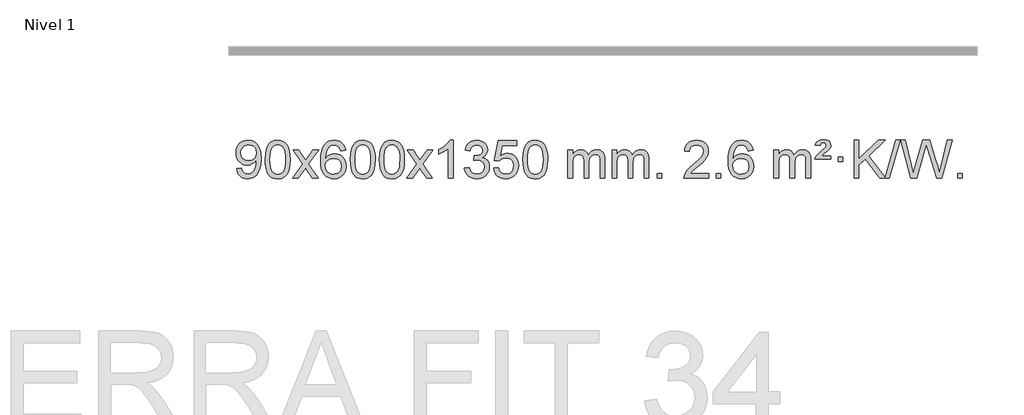
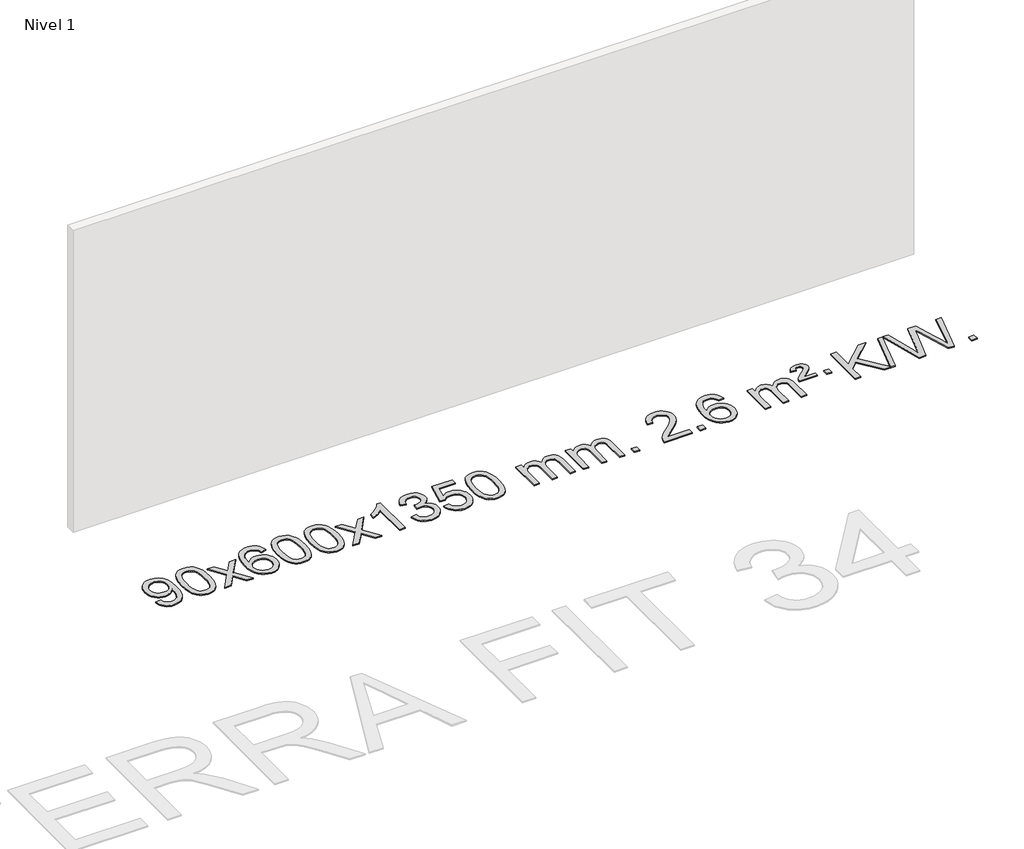
# One storey, part 5 of 10: 1 proxy.
"""IFC4 building model written with IfcOpenShell, lengths in millimetres."""

from ifc_helpers import new_model, si_unit, origin, origin_with_axes, place, context, project, spatial, polyline, outline, extrude, element, save

model = new_model("IFC4")

# Units and contexts
model_context = context("Model", 3, world=origin())
ifc_project = project(units=[si_unit("LENGTHUNIT", "METRE", prefix="MILLI")], contexts=[model_context])

# Site, building, storey
site = spatial("IfcSite", under=ifc_project)
building = spatial("IfcBuilding", under=site)
storey = spatial("IfcBuildingStorey", under=building, Name="Nivel 1", Elevation=0.0)

# Proxy
placement = place(None, origin())
element("IfcBuildingElementProxy", 1, Name="Texto de modelo 1", ObjectType="Texto de modelo 1", at=placement, inside=storey, context=model_context, shape_type="SweptSolid", body=[
    extrude(outline(polyline([(-1749.8911911, -9299.1231428), (-1699.663036, -9292.8446235), (-1691.0791228, -9321.3554781), (-1677.099607, -9340.7673847), (-1658.0678451, -9351.9142092), (-1634.3271937, -9355.6298173), (-1613.0268261, -9353.2385843), (-1593.6639705, -9346.0648854), (-1577.5752645, -9334.8935355), (-1566.0973463, -9320.5093495), (-1549.6652838, -9276.8540194), (-1544.2206303, -9248.4535294), (-1542.4057458, -9218.5815114), (-1542.7000514, -9208.7713248), (-1560.1008698, -9230.0103787), (-1582.8727653, -9246.8348486), (-1609.3725317, -9257.7977321), (-1637.9569627, -9261.4520265), (-1661.8171757, -9259.2202091), (-1683.7582711, -9252.5247568), (-1703.7802487, -9241.3656696), (-1721.8831085, -9225.7429475), (-1736.8834969, -9206.4720624), (-1747.59806, -9184.3684858), (-1754.0267978, -9159.4322179), (-1756.1697105, -9131.6632586), (-1753.9225646, -9102.968463), (-1747.181127, -9077.2167234), (-1735.9453978, -9054.4080397), (-1720.2153768, -9034.5424119), (-1701.1008415, -9018.4475746), (-1679.7115691, -9006.9512623), (-1656.0475598, -9000.0534749), (-1630.1088134, -8997.7542124), (-1592.6461636, -9003.0026622), (-1558.5435027, -9018.7480116), (-1530.0203853, -9044.2054457), (-1509.2963662, -9078.5901495), (-1496.6780138, -9126.1205032), (-1492.4718963, -9191.0148872), (-1496.6657511, -9259.821083), (-1509.2473153, -9313.0045568), (-1530.1062244, -9352.9688042), (-1543.5982966, -9368.8950289), (-1559.1321138, -9382.117321), (-1576.3949765, -9392.503856), (-1595.0741848, -9399.9228095), (-1636.6816384, -9405.8579724), (-1659.2389361, -9404.1074672), (-1679.62573, -9398.8559517), (-1697.8420201, -9390.1034259), (-1713.8878065, -9377.8498898), (-1727.3584189, -9362.4264372), (-1737.8491871, -9344.1641618), (-1745.3601112, -9323.0630637), (-1749.8911911, -9299.1231428)]), holes=[polyline([(-1542.7000514, -9130.4860363), (-1548.1201795, -9096.444689), (-1554.8953395, -9082.3670713), (-1564.3805636, -9070.2514909), (-1576.1098679, -9060.5087494), (-1589.6172685, -9053.5496483), (-1621.9663586, -9047.9823675), (-1639.5756435, -9049.4814866), (-1655.5171966, -9053.978844), (-1669.791018, -9061.4744396), (-1682.3971077, -9071.9682736), (-1692.6978036, -9084.8472091), (-1700.0554435, -9099.4981095), (-1704.4700274, -9115.9209749), (-1705.9415554, -9134.1158053), (-1700.3742745, -9165.1527829), (-1693.4151735, -9178.2708417), (-1683.6724319, -9189.7886139), (-1671.5507202, -9199.1665391), (-1657.4547084, -9205.8650571), (-1623.3397847, -9211.2238715), (-1591.248212, -9205.8650571), (-1565.4106332, -9189.7886139), (-1555.4747537, -9178.0439812), (-1548.3776969, -9164.2453407), (-1542.7000514, -9130.4860363)])]), origin_with_axes(), (0.0, 0.0, 1.0), 10.0),
    extrude(outline(polyline([(-1448.5222606, -9201.9041943), (-1444.8311779, -9137.5861588), (-1433.7579299, -9086.2911459), (-1415.4128811, -9047.2343407), (-1403.5548181, -9032.0009605), (-1389.9063961, -9019.6309284), (-1374.4216298, -9010.0598651), (-1357.0545339, -9003.2233914), (-1316.6733536, -8997.7542124), (-1285.722215, -9000.991574), (-1258.0084381, -9010.7036586), (-1234.8318724, -9026.5103217), (-1217.4923677, -9048.0314184), (-1204.3957686, -9075.0830078), (-1193.94792, -9107.4811488), (-1187.1053149, -9148.6226186), (-1184.8244465, -9201.9041943), (-1188.478741, -9265.8543477), (-1199.4416244, -9317.0267333), (-1217.6763087, -9356.1203266), (-1229.5067805, -9371.3996922), (-1243.1460055, -9383.8341036), (-1258.6491659, -9393.4695462), (-1276.071444, -9400.3520052), (-1316.6733536, -9405.8579724), (-1344.3380796, -9403.4667394), (-1368.8635459, -9396.2930405), (-1390.2497526, -9384.3368757), (-1408.4966996, -9367.5982449), (-1426.0078825, -9337.3399508), (-1438.5158704, -9299.6381776), (-1446.0206631, -9254.4929255), (-1448.5222606, -9201.9041943)]), holes=[polyline([(-1398.2941056, -9201.8060924), (-1396.8225776, -9245.4706195), (-1392.4079936, -9280.8148822), (-1385.0503537, -9307.8388804), (-1374.7496579, -9326.5426142), (-1362.290721, -9339.2682656), (-1348.4583579, -9348.3580165), (-1333.2525688, -9353.8118671), (-1316.6733536, -9355.6298173), (-1300.0941383, -9353.8057357), (-1284.8883492, -9348.3334911), (-1271.0559862, -9339.2130833), (-1258.5970493, -9326.4445124), (-1248.2963534, -9307.7101217), (-1240.9387135, -9280.6922549), (-1236.5241295, -9245.3909118), (-1235.0526016, -9201.8060924), (-1236.4750786, -9159.2973278), (-1240.7425098, -9124.5753989), (-1247.854895, -9097.6403055), (-1257.8122343, -9078.4920476), (-1270.0627048, -9065.1440625), (-1284.0544833, -9055.6097875), (-1299.78757, -9049.8892225), (-1317.2619648, -9047.9823675), (-1333.7553409, -9049.6623619), (-1348.7036126, -9054.7023452), (-1362.10678, -9063.1023175), (-1373.9648429, -9074.8622786), (-1384.6088953, -9095.708925), (-1392.2117899, -9123.8151094), (-1396.7735266, -9159.1808319), (-1398.2941056, -9201.8060924)])]), origin_with_axes(), (0.0, 0.0, 1.0), 10.0),
    extrude(outline(polyline([(-1159.7103689, -9399.579453), (-1052.3869282, -9251.2494325), (-1153.4318496, -9104.4890419), (-1093.0011005, -9104.4890419), (-1044.2444734, -9175.122385), (-1021.4848406, -9208.4770192), (-1001.7663657, -9181.2047007), (-946.2407099, -9104.4890419), (-885.8099608, -9104.4890419), (-991.9561791, -9251.2494325), (-889.7340354, -9399.579453), (-950.1647845, -9399.579453), (-1011.6746541, -9310.4048574), (-1022.9563686, -9294.1199477), (-1099.2796199, -9399.579453), (-1159.7103689, -9399.579453)])), origin_with_axes(), (0.0, 0.0, 1.0), 10.0),
    extrude(outline(polyline([(-600.9221437, -9104.4890419), (-651.1502988, -9110.7675613), (-659.2437027, -9085.874213), (-670.1820607, -9068.8780648), (-692.9662189, -9053.2062918), (-720.5083176, -9047.9823675), (-743.8565616, -9051.0235253), (-765.8313794, -9060.1469988), (-784.7037258, -9079.3627017), (-800.1179814, -9105.8134171), (-810.5290419, -9143.227016), (-814.3918028, -9195.3313693), (-794.2441322, -9171.8237098), (-770.0988106, -9155.2567573), (-743.3047386, -9145.434308), (-715.2108169, -9142.1601582), (-691.077758, -9144.398107), (-668.8086346, -9151.1119534), (-648.4034466, -9162.3016975), (-629.862194, -9177.9673391), (-614.4540698, -9197.1769106), (-603.4482668, -9218.9984443), (-596.844785, -9243.4319401), (-594.6436244, -9270.4773982), (-598.7884282, -9306.4439945), (-611.2228396, -9339.786366), (-630.9167891, -9368.0642287), (-656.840207, -9388.8372987), (-687.815871, -9401.602804), (-722.6665587, -9405.8579724), (-752.6090874, -9403.0375437), (-779.6514797, -9394.5762579), (-803.7937357, -9380.4741147), (-825.0358552, -9360.7311143), (-842.3539001, -9334.5133908), (-854.7239322, -9300.9870783), (-862.1459515, -9260.1521768), (-864.6199579, -9212.0086864), (-861.8731057, -9158.0342663), (-853.632549, -9111.9693092), (-839.8982878, -9073.8138149), (-820.6703222, -9043.5677835), (-799.8298072, -9023.5243462), (-775.6660915, -9009.2076052), (-748.179175, -9000.6175606), (-717.3690579, -8997.7542124), (-694.2354118, -8999.5261773), (-673.2967949, -9004.8420722), (-654.5532073, -9013.7018969), (-638.0046489, -9026.1056515), (-624.0987094, -9041.6364031), (-613.2829788, -9059.8772186), (-605.5574569, -9080.8280983), (-600.9221437, -9104.4890419)]), holes=[polyline([(-814.3918028, -9269.6925832), (-811.485535, -9291.9494439), (-802.7667318, -9313.2007605), (-789.2286743, -9331.472233), (-771.8646442, -9344.7895612), (-750.9076332, -9352.9197533), (-726.5906333, -9355.6298173), (-693.4444655, -9350.0134855), (-679.5293291, -9342.9930708), (-667.3861575, -9333.1644901), (-657.5361171, -9320.9262824), (-650.500374, -9306.6769865), (-644.8717794, -9272.1451299), (-650.4267976, -9238.9989621), (-657.3705702, -9225.3781312), (-667.0918519, -9213.725469), (-679.2718117, -9204.3904634), (-693.5916183, -9197.7226022), (-728.6507725, -9192.3883133), (-761.7478893, -9197.7226022), (-789.4248781, -9213.725469), (-800.3479076, -9225.2248471), (-808.1500716, -9238.3858254), (-812.83137, -9253.2084042), (-814.3918028, -9269.6925832)])]), origin_with_axes(), (0.0, 0.0, 1.0), 10.0),
    extrude(outline(polyline([(-550.6939887, -9201.9041943), (-547.002906, -9137.5861588), (-535.9296579, -9086.2911459), (-517.5846091, -9047.2343407), (-505.7265461, -9032.0009605), (-492.0781241, -9019.6309284), (-476.5933578, -9010.0598651), (-459.2262619, -9003.2233914), (-418.8450816, -8997.7542124), (-387.8939431, -9000.991574), (-360.1801661, -9010.7036586), (-337.0036004, -9026.5103217), (-319.6640957, -9048.0314184), (-306.5674967, -9075.0830078), (-296.119648, -9107.4811488), (-289.2770429, -9148.6226186), (-286.9961745, -9201.9041943), (-290.650469, -9265.8543477), (-301.6133525, -9317.0267333), (-319.8480367, -9356.1203266), (-331.6785085, -9371.3996922), (-345.3177335, -9383.8341036), (-360.8208939, -9393.4695462), (-378.2431721, -9400.3520052), (-418.8450816, -9405.8579724), (-446.5098076, -9403.4667394), (-471.035274, -9396.2930405), (-492.4214806, -9384.3368757), (-510.6684276, -9367.5982449), (-528.1796106, -9337.3399508), (-540.6875984, -9299.6381776), (-548.1923911, -9254.4929255), (-550.6939887, -9201.9041943)]), holes=[polyline([(-500.4658336, -9201.8060924), (-498.9943056, -9245.4706195), (-494.5797217, -9280.8148822), (-487.2220818, -9307.8388804), (-476.9213859, -9326.5426142), (-464.462449, -9339.2682656), (-450.630086, -9348.3580165), (-435.4242968, -9353.8118671), (-418.8450816, -9355.6298173), (-402.2658663, -9353.8057357), (-387.0600772, -9348.3334911), (-373.2277142, -9339.2130833), (-360.7687773, -9326.4445124), (-350.4680814, -9307.7101217), (-343.1104415, -9280.6922549), (-338.6958576, -9245.3909118), (-337.2243296, -9201.8060924), (-338.6468066, -9159.2973278), (-342.9142378, -9124.5753989), (-350.026623, -9097.6403055), (-359.9839624, -9078.4920476), (-372.2344328, -9065.1440625), (-386.2262114, -9055.6097875), (-401.959298, -9049.8892225), (-419.4336928, -9047.9823675), (-435.9270689, -9049.6623619), (-450.8753406, -9054.7023452), (-464.278508, -9063.1023175), (-476.136571, -9074.8622786), (-486.7806234, -9095.708925), (-494.3835179, -9123.8151094), (-498.9452547, -9159.1808319), (-500.4658336, -9201.8060924)])]), origin_with_axes(), (0.0, 0.0, 1.0), 10.0),
    extrude(outline(polyline([(-243.0465388, -9201.9041943), (-239.3554561, -9137.5861588), (-228.2822081, -9086.2911459), (-209.9371593, -9047.2343407), (-198.0790963, -9032.0009605), (-184.4306743, -9019.6309284), (-168.945908, -9010.0598651), (-151.5788121, -9003.2233914), (-111.1976318, -8997.7542124), (-80.2464932, -9000.991574), (-52.5327163, -9010.7036586), (-29.3561506, -9026.5103217), (-12.0166459, -9048.0314184), (1.0799532, -9075.0830078), (11.5278018, -9107.4811488), (18.3704069, -9148.6226186), (20.6512753, -9201.9041943), (16.9969808, -9265.8543477), (6.0340974, -9317.0267333), (-12.2005869, -9356.1203266), (-24.0310587, -9371.3996922), (-37.6702837, -9383.8341036), (-53.1734441, -9393.4695462), (-70.5957222, -9400.3520052), (-111.1976318, -9405.8579724), (-138.8623578, -9403.4667394), (-163.3878241, -9396.2930405), (-184.7740308, -9384.3368757), (-203.0209778, -9367.5982449), (-220.5321607, -9337.3399508), (-233.0401486, -9299.6381776), (-240.5449413, -9254.4929255), (-243.0465388, -9201.9041943)]), holes=[polyline([(-192.8183838, -9201.8060924), (-191.3468558, -9245.4706195), (-186.9322718, -9280.8148822), (-179.5746319, -9307.8388804), (-169.2739361, -9326.5426142), (-156.8149992, -9339.2682656), (-142.9826361, -9348.3580165), (-127.776847, -9353.8118671), (-111.1976318, -9355.6298173), (-94.6184165, -9353.8057357), (-79.4126274, -9348.3334911), (-65.5802644, -9339.2130833), (-53.1213275, -9326.4445124), (-42.8206316, -9307.7101217), (-35.4629917, -9280.6922549), (-31.0484077, -9245.3909118), (-29.5768798, -9201.8060924), (-30.9993568, -9159.2973278), (-35.266788, -9124.5753989), (-42.3791732, -9097.6403055), (-52.3365125, -9078.4920476), (-64.586983, -9065.1440625), (-78.5787615, -9055.6097875), (-94.3118482, -9049.8892225), (-111.786243, -9047.9823675), (-128.2796191, -9049.6623619), (-143.2278908, -9054.7023452), (-156.6310582, -9063.1023175), (-168.4891211, -9074.8622786), (-179.1331735, -9095.708925), (-186.7360681, -9123.8151094), (-191.2978048, -9159.1808319), (-192.8183838, -9201.8060924)])]), origin_with_axes(), (0.0, 0.0, 1.0), 10.0),
    extrude(outline(polyline([(45.7653528, -9399.579453), (153.0887936, -9251.2494325), (52.0438722, -9104.4890419), (112.4746213, -9104.4890419), (161.2312484, -9175.122385), (183.9908812, -9208.4770192), (203.7093561, -9181.2047007), (259.2350119, -9104.4890419), (319.665761, -9104.4890419), (213.5195426, -9251.2494325), (315.7416864, -9399.579453), (255.3109373, -9399.579453), (193.8010677, -9310.4048574), (182.5193532, -9294.1199477), (106.1961019, -9399.579453), (45.7653528, -9399.579453)])), origin_with_axes(), (0.0, 0.0, 1.0), 10.0),
    extrude(outline(polyline([(535.4898648, -9399.579453), (485.2617098, -9399.579453), (485.2617098, -9086.4382987), (464.292436, -9103.3976587), (437.682305, -9120.3324932), (384.8053996, -9145.6918254), (384.8053996, -9098.2105225), (424.2546122, -9076.7507395), (458.4308496, -9051.219729), (485.3720743, -9024.0700378), (503.1162492, -8997.7542124), (535.4898648, -8997.7542124), (535.4898648, -9399.579453)])), origin_with_axes(), (0.0, 0.0, 1.0), 10.0),
    extrude(outline(polyline([(654.7817331, -9292.8446235), (705.0098882, -9286.5661041), (716.2548145, -9318.1303793), (732.7236652, -9339.4430095), (755.2257805, -9351.5831154), (784.570501, -9355.6298173), (819.0042558, -9350.0625364), (833.2780772, -9343.1034354), (845.5898613, -9333.3606939), (862.5860095, -9308.4428201), (868.2513922, -9278.2274455), (862.6350604, -9249.5449126), (845.786065, -9226.2825078), (820.27958, -9210.8682522), (788.6907794, -9205.730167), (753.4722097, -9211.2238715), (759.064016, -9160.9957164), (767.108369, -9161.5843276), (797.2011162, -9157.979084), (824.1055528, -9147.1633534), (835.1788008, -9138.9841103), (843.0882637, -9128.8673555), (847.8339415, -9116.8130888), (849.415834, -9102.8213102), (844.8295718, -9081.1285352), (831.0707852, -9063.5315131), (810.076986, -9051.8696539), (783.7856861, -9047.9823675), (757.4453352, -9051.9064421), (735.9119758, -9063.6786659), (720.1911519, -9083.299039), (711.2884076, -9110.7675613), (661.0602525, -9104.4890419), (667.0138095, -9080.5092672), (675.8491087, -9059.3867093), (687.5661503, -9041.1213683), (702.1649341, -9025.713244), (719.1856078, -9013.4811677), (738.1683187, -9004.7439703), (759.113067, -8999.5016519), (782.0198525, -8997.7542124), (813.5963904, -9001.2000404), (842.5977544, -9011.5375245), (867.0496443, -9027.8469596), (884.9777602, -9049.2086408), (895.9774319, -9073.8199463), (899.6439891, -9099.8782543), (896.1613729, -9124.1584659), (885.7135242, -9146.1823347), (868.4475959, -9164.9443165), (844.5107408, -9179.4388671), (875.9523886, -9192.1430586), (899.2515817, -9213.77452), (913.6725559, -9243.1560286), (918.4795473, -9279.1103623), (916.0760516, -9304.5923218), (908.8655645, -9328.0631931), (896.848086, -9349.5229762), (880.023616, -9368.971671), (859.5264575, -9385.1094278), (836.4909133, -9396.636397), (810.9169832, -9403.5525785), (782.8046674, -9405.8579724), (757.3962843, -9403.8898037), (734.2442441, -9397.9852977), (713.3485468, -9388.1444543), (694.7091923, -9374.3672736), (679.0803389, -9357.4630959), (667.2161446, -9338.2412617), (659.1166093, -9316.7017708), (654.7817331, -9292.8446235)])), origin_with_axes(), (0.0, 0.0, 1.0), 10.0),
    extrude(outline(polyline([(962.429183, -9292.8446235), (1012.657338, -9286.5661041), (1021.8789134, -9316.7201649), (1037.9676193, -9338.3148381), (1060.8498794, -9351.3010725), (1090.4521173, -9355.6298173), (1109.581981, -9354.1245668), (1126.4555019, -9349.6088153), (1141.0726798, -9342.0825628), (1153.4335149, -9331.5458094), (1163.2620955, -9318.519721), (1170.2825102, -9303.5254641), (1175.898842, -9267.6324441), (1170.6381295, -9233.8363514), (1164.0622388, -9219.9181493), (1154.8559919, -9207.9865099), (1142.9887319, -9198.4154467), (1128.4298019, -9191.5789729), (1091.2369322, -9186.1097939), (1066.8708814, -9188.2925604), (1047.1401437, -9194.8408599), (1031.3825316, -9204.8717757), (1018.9358574, -9217.5023908), (968.7077023, -9211.2238715), (1012.657338, -9004.0327318), (1207.291439, -9004.0327318), (1207.291439, -9054.2608869), (1053.2715103, -9054.2608869), (1031.7872018, -9164.919791), (1049.5129826, -9152.2155994), (1067.667959, -9143.1411769), (1086.2521312, -9137.6965234), (1105.265499, -9135.8816388), (1129.726586, -9138.1318504), (1152.1949788, -9144.882485), (1172.6706775, -9156.1335427), (1191.1536821, -9171.8850234), (1206.4545074, -9191.1743027), (1217.3836684, -9213.038756), (1223.9411649, -9237.4783832), (1226.1269971, -9264.4931844), (1224.1588284, -9290.5147042), (1218.2543224, -9314.7213394), (1208.413479, -9337.1130902), (1194.6362983, -9357.6899565), (1173.7651265, -9378.7634634), (1149.4113384, -9393.8159684), (1121.5749341, -9402.8474714), (1090.2559136, -9405.8579724), (1064.3355613, -9403.9235262), (1040.922938, -9398.1201877), (1020.0180436, -9388.447957), (1001.6208782, -9374.9068338), (986.3139215, -9358.1712688), (974.6796534, -9338.915712), (966.7180739, -9317.1401636), (962.429183, -9292.8446235)])), origin_with_axes(), (0.0, 0.0, 1.0), 10.0),
    extrude(outline(polyline([(1270.0766328, -9201.9041943), (1273.7677155, -9137.5861588), (1284.8409635, -9086.2911459), (1303.1860124, -9047.2343407), (1315.0440753, -9032.0009605), (1328.6924974, -9019.6309284), (1344.1772637, -9010.0598651), (1361.5443595, -9003.2233914), (1401.9255399, -8997.7542124), (1432.8766784, -9000.991574), (1460.5904554, -9010.7036586), (1483.7670211, -9026.5103217), (1501.1065258, -9048.0314184), (1514.2031248, -9075.0830078), (1524.6509735, -9107.4811488), (1531.4935786, -9148.6226186), (1533.7744469, -9201.9041943), (1530.1201525, -9265.8543477), (1519.157269, -9317.0267333), (1500.9225848, -9356.1203266), (1489.0921129, -9371.3996922), (1475.452888, -9383.8341036), (1459.9497276, -9393.4695462), (1442.5274494, -9400.3520052), (1401.9255399, -9405.8579724), (1374.2608138, -9403.4667394), (1349.7353475, -9396.2930405), (1328.3491408, -9384.3368757), (1310.1021939, -9367.5982449), (1292.5910109, -9337.3399508), (1280.0830231, -9299.6381776), (1272.5782304, -9254.4929255), (1270.0766328, -9201.9041943)]), holes=[polyline([(1320.3047879, -9201.8060924), (1321.7763158, -9245.4706195), (1326.1908998, -9280.8148822), (1333.5485397, -9307.8388804), (1343.8492356, -9326.5426142), (1356.3081725, -9339.2682656), (1370.1405355, -9348.3580165), (1385.3463246, -9353.8118671), (1401.9255399, -9355.6298173), (1418.5047551, -9353.8057357), (1433.7105442, -9348.3334911), (1447.5429073, -9339.2130833), (1460.0018442, -9326.4445124), (1470.30254, -9307.7101217), (1477.6601799, -9280.6922549), (1482.0747639, -9245.3909118), (1483.5462919, -9201.8060924), (1482.1238148, -9159.2973278), (1477.8563837, -9124.5753989), (1470.7439984, -9097.6403055), (1460.7866591, -9078.4920476), (1448.5361887, -9065.1440625), (1434.5444101, -9055.6097875), (1418.8113234, -9049.8892225), (1401.3369287, -9047.9823675), (1384.8435526, -9049.6623619), (1369.8952808, -9054.7023452), (1356.4921135, -9063.1023175), (1344.6340505, -9074.8622786), (1333.9899981, -9095.708925), (1326.3871035, -9123.8151094), (1321.8253668, -9159.1808319), (1320.3047879, -9201.8060924)])]), origin_with_axes(), (0.0, 0.0, 1.0), 10.0),
    extrude(outline(polyline([(1747.244106, -9399.579453), (1747.244106, -9104.4890419), (1797.4722611, -9104.4890419), (1797.4722611, -9153.0494653), (1812.5799483, -9130.7435537), (1832.0041177, -9113.2691589), (1855.0825815, -9101.9751816), (1881.1531522, -9098.2105225), (1909.0876584, -9102.048758), (1931.4794092, -9113.5634645), (1948.2057772, -9131.9943524), (1959.1441352, -9156.5811324), (1977.4523959, -9131.0439906), (1998.3358304, -9112.803175), (2021.794439, -9101.8586857), (2047.8282215, -9098.2105225), (2067.9360383, -9099.7280358), (2085.585177, -9104.2805755), (2100.7756377, -9111.8681416), (2113.5074204, -9122.4907342), (2123.5720587, -9136.2709806), (2130.761086, -9153.3315082), (2135.0745024, -9173.6723168), (2136.5123078, -9197.2934066), (2136.5123078, -9399.579453), (2086.2841528, -9399.579453), (2086.2841528, -9218.875817), (2085.1191931, -9193.8230531), (2081.6243142, -9176.9372695), (2075.0760146, -9165.3735121), (2064.7507933, -9156.2868268), (2051.4702533, -9150.4007149), (2036.0559977, -9148.4386776), (2008.8449928, -9153.4663982), (1986.6617085, -9168.54956), (1978.0563355, -9180.1194488), (1971.9096405, -9194.7182326), (1966.9922845, -9233.0024856), (1966.9922845, -9399.579453), (1916.7641294, -9399.579453), (1916.7641294, -9213.2840106), (1913.8578616, -9184.8835206), (1905.1390583, -9164.6254854), (1889.7983791, -9152.4853796), (1867.0264836, -9148.4386776), (1847.6758907, -9151.1364789), (1829.8458767, -9159.2298828), (1815.1305968, -9172.5226856), (1805.1242066, -9190.8186835), (1799.3852475, -9216.2025411), (1797.4722611, -9250.7589232), (1797.4722611, -9399.579453), (1747.244106, -9399.579453)])), origin_with_axes(), (0.0, 0.0, 1.0), 10.0),
    extrude(outline(polyline([(2211.8545404, -9399.579453), (2211.8545404, -9104.4890419), (2262.0826955, -9104.4890419), (2262.0826955, -9153.0494653), (2277.1903828, -9130.7435537), (2296.6145521, -9113.2691589), (2319.693016, -9101.9751816), (2345.7635867, -9098.2105225), (2373.6980929, -9102.048758), (2396.0898436, -9113.5634645), (2412.8162117, -9131.9943524), (2423.7545697, -9156.5811324), (2442.0628303, -9131.0439906), (2462.9462649, -9112.803175), (2486.4048734, -9101.8586857), (2512.438656, -9098.2105225), (2532.5464727, -9099.7280358), (2550.1956114, -9104.2805755), (2565.3860721, -9111.8681416), (2578.1178548, -9122.4907342), (2588.1824931, -9136.2709806), (2595.3715204, -9153.3315082), (2599.6849368, -9173.6723168), (2601.1227423, -9197.2934066), (2601.1227423, -9399.579453), (2550.8945872, -9399.579453), (2550.8945872, -9218.875817), (2549.7296276, -9193.8230531), (2546.2347486, -9176.9372695), (2539.6864491, -9165.3735121), (2529.3612278, -9156.2868268), (2516.0806877, -9150.4007149), (2500.6664321, -9148.4386776), (2473.4554272, -9153.4663982), (2451.2721429, -9168.54956), (2442.6667699, -9180.1194488), (2436.5200749, -9194.7182326), (2431.6027189, -9233.0024856), (2431.6027189, -9399.579453), (2381.3745638, -9399.579453), (2381.3745638, -9213.2840106), (2378.4682961, -9184.8835206), (2369.7494928, -9164.6254854), (2354.4088136, -9152.4853796), (2331.6369181, -9148.4386776), (2312.2863251, -9151.1364789), (2294.4563111, -9159.2298828), (2279.7410313, -9172.5226856), (2269.734641, -9190.8186835), (2263.9956819, -9216.2025411), (2262.0826955, -9250.7589232), (2262.0826955, -9399.579453), (2211.8545404, -9399.579453)])), origin_with_axes(), (0.0, 0.0, 1.0), 10.0),
    extrude(outline(polyline([(2689.0220137, -9399.579453), (2689.0220137, -9349.3512979), (2739.2501687, -9349.3512979), (2739.2501687, -9399.579453), (2689.0220137, -9399.579453)])), origin_with_axes(), (0.0, 0.0, 1.0), 10.0),
    extrude(outline(polyline([(3235.2532001, -9349.3512979), (3235.2532001, -9399.579453), (2971.555386, -9399.579453), (2972.6590319, -9381.8965918), (2976.9509885, -9364.9494945), (2989.3363491, -9337.8856424), (3007.4606687, -9311.6311307), (3033.6783922, -9284.1503456), (3070.3439644, -9253.4076736), (3124.545245, -9205.2641831), (3157.0660134, -9169.7267824), (3173.3263976, -9140.884834), (3178.7465256, -9112.8277005), (3173.6329659, -9087.6768347), (3158.2922867, -9066.7688747), (3134.7110508, -9052.6789943), (3104.875821, -9047.9823675), (3073.5445377, -9052.5686297), (3049.2030124, -9066.3274163), (3033.4944512, -9088.1796068), (3028.0620604, -9117.0460807), (2977.8339053, -9110.7675613), (2982.1534531, -9084.838012), (2990.0107994, -9062.1826125), (3001.4059442, -9042.8013627), (3016.3388875, -9026.6942627), (3034.4662728, -9014.0329907), (3055.4447436, -9004.989225), (3079.2742998, -8999.5629655), (3105.9549415, -8997.7542124), (3132.8747065, -8999.7653006), (3156.8330215, -9005.7985654), (3177.8298863, -9015.8540066), (3195.8653011, -9029.9316242), (3210.3506547, -9046.9890861), (3220.6973358, -9065.9840598), (3226.9053445, -9086.9165453), (3228.9746807, -9109.7865427), (3226.7428633, -9133.8092369), (3220.047411, -9157.4149983), (3208.1648225, -9181.4254299), (3190.3715967, -9206.6621347), (3162.0078949, -9236.7916701), (3118.4138784, -9275.4805933), (3060.6318797, -9323.795762), (3037.9703488, -9349.3512979), (3235.2532001, -9349.3512979)])), origin_with_axes(), (0.0, 0.0, 1.0), 10.0),
    extrude(outline(polyline([(3310.5954327, -9399.579453), (3310.5954327, -9349.3512979), (3360.8235878, -9349.3512979), (3360.8235878, -9399.579453), (3310.5954327, -9399.579453)])), origin_with_axes(), (0.0, 0.0, 1.0), 10.0),
    extrude(outline(polyline([(3699.8636345, -9104.4890419), (3649.6354795, -9110.7675613), (3641.5420756, -9085.874213), (3630.6037176, -9068.8780648), (3607.8195593, -9053.2062918), (3580.2774606, -9047.9823675), (3556.9292167, -9051.0235253), (3534.9543988, -9060.1469988), (3516.0820525, -9079.3627017), (3500.6677969, -9105.8134171), (3490.2567364, -9143.227016), (3486.3939755, -9195.3313693), (3506.5416461, -9171.8237098), (3530.6869677, -9155.2567573), (3557.4810397, -9145.434308), (3585.5749614, -9142.1601582), (3609.7080203, -9144.398107), (3631.9771437, -9151.1119534), (3652.3823317, -9162.3016975), (3670.9235843, -9177.9673391), (3686.3317085, -9197.1769106), (3697.3375115, -9218.9984443), (3703.9409933, -9243.4319401), (3706.1421539, -9270.4773982), (3701.9973501, -9306.4439945), (3689.5629387, -9339.786366), (3669.8689892, -9368.0642287), (3643.9455713, -9388.8372987), (3612.9699073, -9401.602804), (3578.1192196, -9405.8579724), (3548.1766909, -9403.0375437), (3521.1342985, -9394.5762579), (3496.9920426, -9380.4741147), (3475.7499231, -9360.7311143), (3458.4318782, -9334.5133908), (3446.0618461, -9300.9870783), (3438.6398268, -9260.1521768), (3436.1658204, -9212.0086864), (3438.9126726, -9158.0342663), (3447.1532293, -9111.9693092), (3460.8874905, -9073.8138149), (3480.1154561, -9043.5677835), (3500.9559711, -9023.5243462), (3525.1196868, -9009.2076052), (3552.6066032, -9000.6175606), (3583.4167203, -8997.7542124), (3606.5503665, -8999.5261773), (3627.4889834, -9004.8420722), (3646.232571, -9013.7018969), (3662.7811294, -9026.1056515), (3676.6870688, -9041.6364031), (3687.5027995, -9059.8772186), (3695.2283214, -9080.8280983), (3699.8636345, -9104.4890419)]), holes=[polyline([(3486.3939755, -9269.6925832), (3489.3002432, -9291.9494439), (3498.0190465, -9313.2007605), (3511.5571039, -9331.472233), (3528.9211341, -9344.7895612), (3549.8781451, -9352.9197533), (3574.195145, -9355.6298173), (3607.3413128, -9350.0134855), (3621.2564492, -9342.9930708), (3633.3996207, -9333.1644901), (3643.2496612, -9320.9262824), (3650.2854043, -9306.6769865), (3655.9139988, -9272.1451299), (3650.3589807, -9238.9989621), (3643.4152081, -9225.3781312), (3633.6939263, -9213.725469), (3621.5139666, -9204.3904634), (3607.19416, -9197.7226022), (3572.1350058, -9192.3883133), (3539.037889, -9197.7226022), (3511.3609002, -9213.725469), (3500.4378706, -9225.2248471), (3492.6357067, -9238.3858254), (3487.9544083, -9253.2084042), (3486.3939755, -9269.6925832)])]), origin_with_axes(), (0.0, 0.0, 1.0), 10.0),
    extrude(outline(polyline([(3919.611813, -9399.579453), (3919.611813, -9104.4890419), (3969.8399681, -9104.4890419), (3969.8399681, -9153.0494653), (3984.9476553, -9130.7435537), (4004.3718247, -9113.2691589), (4027.4502885, -9101.9751816), (4053.5208592, -9098.2105225), (4081.4553654, -9102.048758), (4103.8471162, -9113.5634645), (4120.5734842, -9131.9943524), (4131.5118422, -9156.5811324), (4149.8201028, -9131.0439906), (4170.7035374, -9112.803175), (4194.162146, -9101.8586857), (4220.1959285, -9098.2105225), (4240.3037452, -9099.7280358), (4257.952884, -9104.2805755), (4273.1433447, -9111.8681416), (4285.8751274, -9122.4907342), (4295.9397656, -9136.2709806), (4303.128793, -9153.3315082), (4307.4422094, -9173.6723168), (4308.8800148, -9197.2934066), (4308.8800148, -9399.579453), (4258.6518597, -9399.579453), (4258.6518597, -9218.875817), (4257.4869001, -9193.8230531), (4253.9920211, -9176.9372695), (4247.4437216, -9165.3735121), (4237.1185003, -9156.2868268), (4223.8379603, -9150.4007149), (4208.4237047, -9148.4386776), (4181.2126998, -9153.4663982), (4159.0294155, -9168.54956), (4150.4240424, -9180.1194488), (4144.2773474, -9194.7182326), (4139.3599914, -9233.0024856), (4139.3599914, -9399.579453), (4089.1318364, -9399.579453), (4089.1318364, -9213.2840106), (4086.2255686, -9184.8835206), (4077.5067653, -9164.6254854), (4062.1660861, -9152.4853796), (4039.3941906, -9148.4386776), (4020.0435977, -9151.1364789), (4002.2135836, -9159.2298828), (3987.4983038, -9172.5226856), (3977.4919136, -9190.8186835), (3971.7529544, -9216.2025411), (3969.8399681, -9250.7589232), (3969.8399681, -9399.579453), (3919.611813, -9399.579453)])), origin_with_axes(), (0.0, 0.0, 1.0), 10.0),
    extrude(outline(polyline([(4352.8296505, -9198.6668327), (4356.6556233, -9182.8479069), (4364.9942818, -9166.9799302), (4386.5031158, -9141.8413272), (4418.4597984, -9114.1030247), (4462.6056379, -9076.726214), (4469.7425486, -9065.1992448), (4472.1215188, -9053.3779701), (4470.2330579, -9041.2869152), (4464.5676752, -9031.5012541), (4455.198947, -9025.026531), (4442.2004499, -9022.8682899), (4429.7660384, -9024.4869707), (4420.9123451, -9029.343013), (4414.4866729, -9038.8098431), (4409.336325, -9054.2608869), (4359.1081699, -9047.9823675), (4369.948426, -9022.7701881), (4386.5766922, -9005.2099542), (4410.3418691, -8994.9092583), (4442.5928573, -8991.475693), (4478.3755127, -8995.6082341), (4503.1217083, -9008.0058573), (4517.5426825, -9026.3386434), (4522.3496739, -9048.2766731), (4518.253921, -9071.1834586), (4505.9666624, -9092.8149199), (4485.438847, -9112.6314968), (4448.9694786, -9140.6886303), (4423.3648917, -9167.2742358), (4522.3496739, -9167.2742358), (4522.3496739, -9198.6668327), (4352.8296505, -9198.6668327)])), origin_with_axes(), (0.0, 0.0, 1.0), 10.0),
    extrude(outline(polyline([(4597.6919065, -9223.7809102), (4597.6919065, -9173.5527552), (4647.9200616, -9173.5527552), (4647.9200616, -9223.7809102), (4597.6919065, -9223.7809102)])), origin_with_axes(), (0.0, 0.0, 1.0), 10.0),
    extrude(outline(polyline([(5038.5616895, -9399.579453), (4885.1303721, -9196.9009991), (4817.440085, -9261.4520265), (4817.440085, -9399.579453), (4767.2119299, -9399.579453), (4767.2119299, -8997.7542124), (4817.440085, -8997.7542124), (4817.440085, -9194.4484525), (5023.4540023, -8997.7542124), (5093.6949379, -8997.7542124), (4920.7413492, -9162.9577537), (5095.3949591, -9393.5349332), (5206.7082868, -8997.7542124), (5252.0313486, -8997.7542124), (5139.0179997, -9399.579453), (5099.9734572, -9399.579453), (5093.6949379, -9399.579453), (5038.5616895, -9399.579453)])), origin_with_axes(), (0.0, 0.0, 1.0), 10.0),
    extrude(outline(polyline([(5366.5162255, -9399.579453), (5256.9364419, -8997.7542124), (5308.7342268, -8997.7542124), (5372.3042355, -9261.844434), (5391.9246086, -9343.3670841), (5412.9184078, -9271.2622131), (5492.5771225, -8997.7542124), (5567.2326421, -8997.7542124), (5625.1127426, -9196.0180823), (5649.9079891, -9269.5944814), (5668.1794615, -9343.3670841), (5687.2112234, -9264.1988788), (5751.3698434, -8997.7542124), (5803.1676283, -8997.7542124), (5693.4897428, -9399.579453), (5639.8280224, -9399.579453), (5543.4919906, -9089.5775584), (5530.0520351, -9046.3146358), (5514.9443478, -9098.4067263), (5427.1431783, -9399.579453), (5366.5162255, -9399.579453)])), origin_with_axes(), (0.0, 0.0, 1.0), 10.0),
    extrude(outline(polyline([(5859.6743028, -9399.579453), (5859.6743028, -9349.3512979), (5909.9024578, -9349.3512979), (5909.9024578, -9399.579453), (5859.6743028, -9399.579453)])), origin_with_axes(), (0.0, 0.0, 1.0), 10.0),
])

save(model, "model.ifc")
